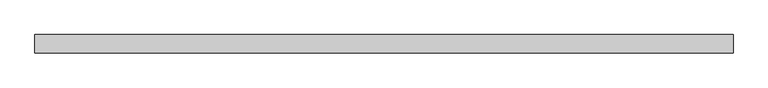
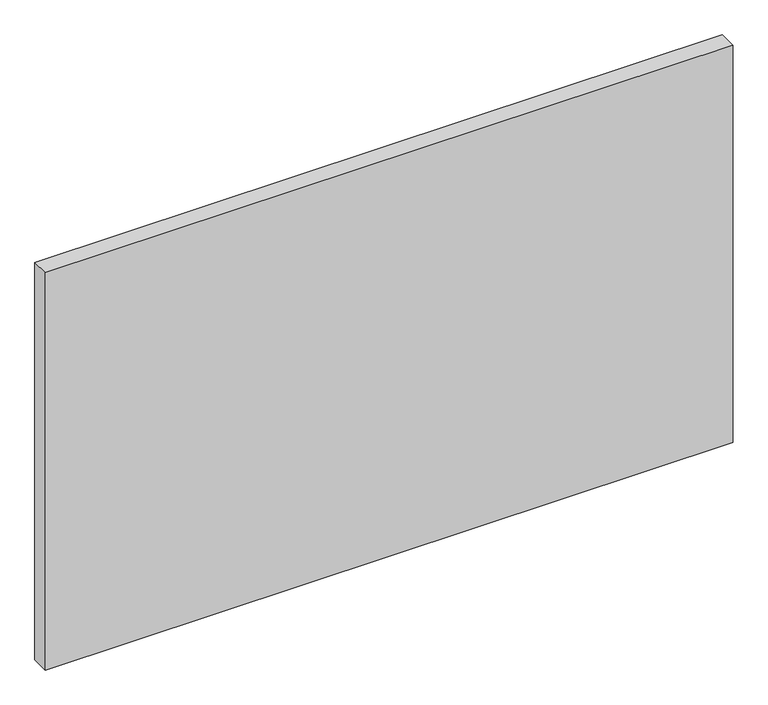
"""IFC4 building model written with IfcOpenShell, lengths in millimetres: plate geometry."""

from ifc_helpers import new_model, si_unit, origin, origin_with_axes, place, context, project, spatial, polyline, outline, extrude, source, transform, mapped, element, save


def plate_c84be404(model_context):
    return source(origin(), model_context, "Body", "SweptSolid", [
        extrude(outline(polyline([(670.9320652, -17.5), (-670.9320652, -17.5), (-670.9320652, 17.5), (670.9320652, 17.5), (670.9320652, -17.5)])), origin_with_axes(), (0.0, 0.0, 1.0), 820.0),
    ])


if __name__ == "__main__":
    model = new_model("IFC4")
    model_context = context("Model", 3, world=origin())
    ifc_project = project(units=[si_unit("LENGTHUNIT", "METRE", prefix="MILLI")], contexts=[model_context])
    site = spatial("IfcSite", under=ifc_project)
    building = spatial("IfcBuilding", under=site)
    placement = place(None, origin())
    plate_shape = plate_c84be404(model_context)
    element("IfcPlate", 1, at=placement, inside=building, context=model_context, shape_type="MappedRepresentation", body=[
        mapped(plate_shape, transform((0.0, 0.0, 0.0), x_axis=(1.0, 0.0, 0.0), y_axis=(0.0, 1.0, 0.0), z_axis=(0.0, 0.0, 1.0))),
    ])
    save(model, "model.ifc")
